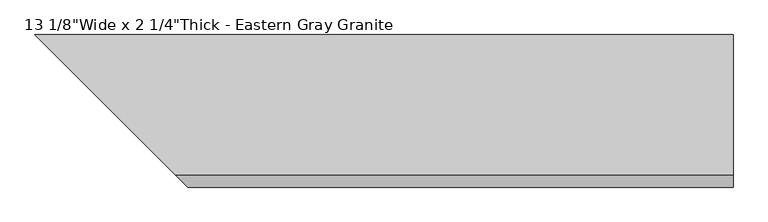
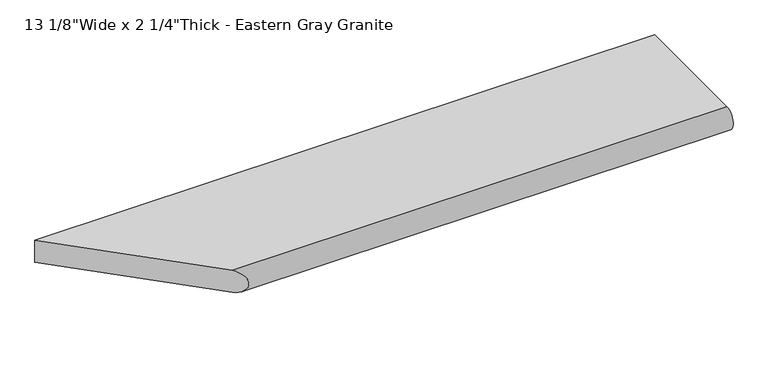
"""IFC4 building model written with IfcOpenShell, lengths in millimetres: proxy geometry."""

from ifc_helpers import new_model, si_unit, frame, origin, place, context, project, spatial, circle_curve, ellipse_curve, source, transform, mapped, element, save
from ifc_brep_helpers import plane_surface, cylinder_surface, advanced_brep


def proxy_247c97a7(model_context):
    return source(origin(), model_context, "Body", "AdvancedBrep", [
        advanced_brep(
        [(1524.0, -307.18125, 0.0), (1524.0, 0.0, 0.0), (1524.0, 0.0, 57.15), (1524.0, -307.18125, 57.15), (307.18125, -307.18125, 57.15), (307.18125, -307.18125, 0.0), (0.0, 0.0, 57.15), (0.0, 0.0, 0.0)],
        [
            (0, 1),
            (1, 2),
            (2, 3),
            (3, 0, circle_curve(frame((1524.0, -304.6812614, 28.575), z_axis=(1.0, 0.0, 0.0), x_axis=(0.0, -1.0, 0.0)), 28.6841519)),
            (3, 4),
            (4, 5, ellipse_curve(frame((304.6812614, -304.6812614, 28.575), z_axis=(0.7071067811865491, 0.7071067811865459, 0.0), x_axis=(-0.7071067811865459, 0.707106781186549, 0.0)), 40.5655166, 28.6841519)),
            (5, 0),
            (2, 6),
            (6, 4),
            (1, 7),
            (7, 6),
            (5, 7),
        ],
        [
            plane_surface(frame((1524.0, -333.3654133, 28.575), z_axis=(1.0, 0.0, 0.0), x_axis=(0.0, 0.0, -1.0))),
            cylinder_surface(frame((1524.0, -304.6812614, 28.575), z_axis=(-1.0, 0.0, 0.0), x_axis=(0.0, -1.0, 0.0)), 28.6841519),
            plane_surface(frame((0.0, -307.18125, 57.15), z_axis=(0.0, 0.0, 1.0), x_axis=(1.0, 0.0, 0.0))),
            plane_surface(frame((0.0, 0.0, 57.15), z_axis=(0.0, 1.0, 0.0), x_axis=(1.0, 0.0, 0.0))),
            plane_surface(frame((0.0, 0.0, 0.0), z_axis=(0.0, 0.0, -1.0), x_axis=(1.0, 0.0, 0.0))),
            plane_surface(frame((342.9, -342.9, 76.2), z_axis=(-0.7071067811865491, -0.7071067811865459, 0.0), x_axis=(0.0, 0.0, -1.0))),
        ],
        [
            (0, [[1, 2, 3, 4]]),
            (1, [[-4, 5, 6, 7]]),
            (2, [[-3, 8, 9, -5]]),
            (3, [[-2, 10, 11, -8]]),
            (4, [[-1, -7, 12, -10]]),
            (5, [[-6, -9, -11, -12]]),
        ],
    ),
    ])


if __name__ == "__main__":
    model = new_model("IFC4")
    model_context = context("Model", 3, world=origin())
    ifc_project = project(units=[si_unit("LENGTHUNIT", "METRE", prefix="MILLI")], contexts=[model_context])
    site = spatial("IfcSite", under=ifc_project)
    building = spatial("IfcBuilding", under=site)
    placement = place(None, origin())
    proxy_shape = proxy_247c97a7(model_context)
    element("IfcBuildingElementProxy", 1, Name="13 1/8\"Wide x 2 1/4\"Thick - Eastern Gray Granite", ObjectType="13 1/8\"Wide x 2 1/4\"Thick - Eastern Gray Granite", at=placement, inside=building, context=model_context, shape_type="MappedRepresentation", body=[
        mapped(proxy_shape, transform((0.0, 0.0, 0.0), x_axis=(1.0, 0.0, 0.0), y_axis=(0.0, 1.0, 0.0), z_axis=(0.0, 0.0, 1.0))),
    ])
    save(model, "model.ifc")
